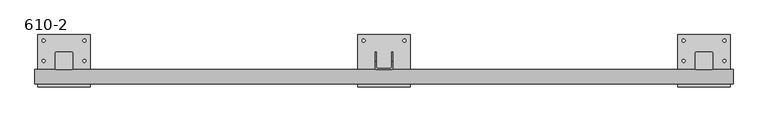
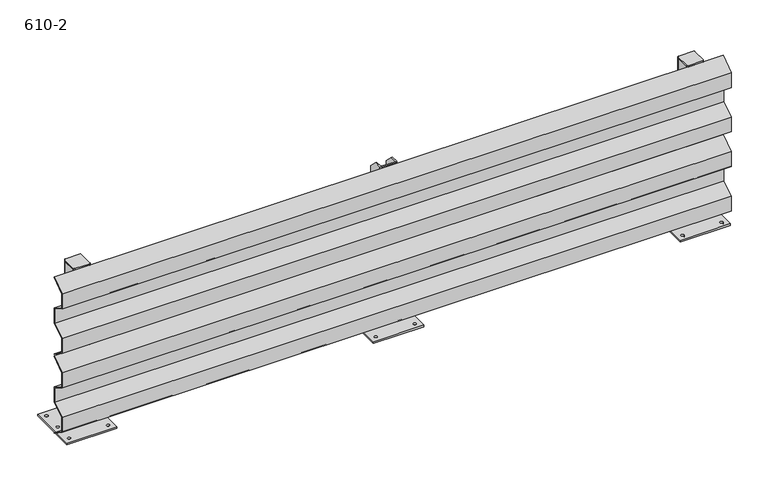
"""IFC4 building model written with IfcOpenShell, lengths in millimetres: proxy geometry, 610-2."""

from ifc_helpers import new_model, si_unit, point, frame, frame_2d, origin, origin_with_axes, place, context, project, spatial, polyline, circle_curve, trimmed, segment, composite_curve, outline, extrude, source, transform, mapped, element, save
from ifc_brep_helpers import plane_surface, cylinder_surface, revolved_surface, advanced_brep


def proxy_610_2_d4bb36de(model_context):
    return source(origin(), model_context, "Body", "SolidModel", [
        extrude(outline(polyline([(-30.0, 302.5500027), (-78.0, 268.5877822), (-78.0, 214.6001053), (-30.0, 186.1623259), (-30.0, 128.8381046), (-78.0, 100.4408827), (-78.0, 46.3636576), (-30.0, 12.4488566), (-30.0, 10.0), (-80.0, 45.3279177), (-80.0, 101.581456), (-32.0, 129.9786778), (-32.0, 185.0225816), (-80.0, 213.4603611), (-80.0, 269.622687), (-30.0, 305.0), (-30.0, 302.5500027)])), frame((-100.0, 0.0, 0.0), z_axis=(1.0, 0.0, 0.0), x_axis=(0.0, 1.0, 0.0)), (0.0, 0.0, 1.0), 2400.0),
        extrude(outline(polyline([(-30.0, 602.5500027), (-78.0, 568.5877822), (-78.0, 514.6001053), (-30.0, 486.1623259), (-30.0, 428.8381046), (-78.0, 400.4408827), (-78.0, 346.3636576), (-30.0, 312.4488566), (-30.0, 310.0), (-80.0, 345.3279177), (-80.0, 401.581456), (-32.0, 429.9786778), (-32.0, 485.0225816), (-80.0, 513.4603611), (-80.0, 569.622687), (-30.0, 605.0), (-30.0, 602.5500027)])), frame((-100.0, 0.0, 0.0), z_axis=(1.0, 0.0, 0.0), x_axis=(0.0, 1.0, 0.0)), (0.0, 0.0, 1.0), 2400.0),
        advanced_brep(
        [(1070.0, -26.0, 610.0), (1074.0, -30.0, 610.0), (1126.0, -30.0, 610.0), (1130.0, -26.0, 610.0), (1130.0, 0.0, 610.0), (1126.0, 0.0, 610.0), (1126.0, -24.0, 610.0), (1124.0, -26.0, 610.0), (1076.0, -26.0, 610.0), (1074.0, -24.0, 610.0), (1074.0, 0.0, 610.0), (1070.0, 0.0, 610.0), (1070.0, -26.0, 6.0), (1070.0, 30.0, 6.0), (1074.0, 30.0, 6.0), (1074.0, -24.0, 6.0), (1076.0, -26.0, 6.0), (1124.0, -26.0, 6.0), (1126.0, -24.0, 6.0), (1126.0, 30.0, 6.0), (1130.0, 30.0, 6.0), (1130.0, -26.0, 6.0), (1126.0, -30.0, 6.0), (1074.0, -30.0, 6.0), (1130.0, 30.0, 580.0), (1126.0, 30.0, 580.0), (1074.0, 30.0, 580.0), (1070.0, 30.0, 580.0)],
        [
            (0, 1, circle_curve(frame((1074.0, -26.0, 610.0), z_axis=(0.0, 0.0, 1.0), x_axis=(-1.0, 0.0, 0.0)), 4.0)),
            (1, 2),
            (2, 3, circle_curve(frame((1126.0, -26.0, 610.0), z_axis=(0.0, 0.0, 1.0), x_axis=(-1.0, 0.0, 0.0)), 4.0)),
            (3, 4),
            (4, 5),
            (5, 6),
            (6, 7, circle_curve(frame((1124.0, -24.0, 610.0), z_axis=(0.0, 0.0, -1.0), x_axis=(-1.0, 0.0, 0.0)), 2.0)),
            (7, 8),
            (8, 9, circle_curve(frame((1076.0, -24.0, 610.0), z_axis=(0.0, 0.0, -1.0), x_axis=(-1.0, 0.0, 0.0)), 2.0)),
            (9, 10),
            (10, 11),
            (11, 0),
            (12, 13),
            (13, 14),
            (14, 15),
            (15, 16, circle_curve(frame((1076.0, -24.0, 6.0), z_axis=(0.0, 0.0, 1.0), x_axis=(-1.0, 0.0, 0.0)), 2.0)),
            (16, 17),
            (17, 18, circle_curve(frame((1124.0, -24.0, 6.0), z_axis=(0.0, 0.0, 1.0), x_axis=(-1.0, 0.0, 0.0)), 2.0)),
            (18, 19),
            (19, 20),
            (20, 21),
            (21, 22, circle_curve(frame((1126.0, -26.0, 6.0), z_axis=(0.0, 0.0, -1.0), x_axis=(-1.0, 0.0, 0.0)), 4.0)),
            (22, 23),
            (23, 12, circle_curve(frame((1074.0, -26.0, 6.0), z_axis=(0.0, 0.0, -1.0), x_axis=(-1.0, 0.0, 0.0)), 4.0)),
            (0, 12),
            (23, 1),
            (22, 2),
            (21, 3),
            (20, 24),
            (24, 4),
            (19, 25),
            (25, 24),
            (18, 6),
            (5, 25),
            (17, 7),
            (16, 8),
            (15, 9),
            (14, 26),
            (26, 10),
            (13, 27),
            (27, 26),
            (11, 27),
        ],
        [
            plane_surface(frame((1070.0, -26.0, 610.0), z_axis=(0.0, 0.0, 1.0), x_axis=(0.0, -1.0, 0.0))),
            plane_surface(frame((1070.0, -26.0, 6.0), z_axis=(0.0, 0.0, -1.0), x_axis=(0.0, 1.0, 0.0))),
            cylinder_surface(frame((1074.0, -26.0, 6.0), z_axis=(0.0, 0.0, 1.0), x_axis=(-1.0, 0.0, 0.0)), 4.0),
            plane_surface(frame((1074.0, -30.0, 610.0), z_axis=(0.0, -1.0, 0.0), x_axis=(0.0, 0.0, -1.0))),
            cylinder_surface(frame((1126.0, -26.0, 6.0), z_axis=(0.0, 0.0, 1.0), x_axis=(-1.0, 0.0, 0.0)), 4.0),
            plane_surface(frame((1130.0, -26.0, 610.0), z_axis=(1.0, 0.0, 0.0), x_axis=(0.0, 0.0, -1.0))),
            plane_surface(frame((1130.0, 30.0, 610.0), z_axis=(0.0, 1.0, 0.0), x_axis=(0.0, 0.0, -1.0))),
            plane_surface(frame((1126.0, 30.0, 610.0), z_axis=(-1.0, 0.0, 0.0), x_axis=(0.0, 0.0, -1.0))),
            revolved_surface(polyline([(1122.0, -24.0, 6.0), (1122.0, -24.0, 610.0)]), (1124.0, -24.0, 6.0), (0.0, 0.0, -1.0)),
            plane_surface(frame((1124.0, -26.0, 610.0), z_axis=(0.0, 1.0, 0.0), x_axis=(0.0, 0.0, -1.0))),
            revolved_surface(polyline([(1074.0, -24.0, 6.0), (1074.0, -24.0, 610.0)]), (1076.0, -24.0, 6.0), (0.0, 0.0, -1.0)),
            plane_surface(frame((1074.0, -24.0, 610.0), z_axis=(1.0, 0.0, 0.0), x_axis=(0.0, 0.0, -1.0))),
            plane_surface(frame((1074.0, 30.0, 610.0), z_axis=(0.0, 1.0, 0.0), x_axis=(0.0, 0.0, -1.0))),
            plane_surface(frame((1070.0, 30.0, 610.0), z_axis=(-1.0, 0.0, 0.0), x_axis=(0.0, 0.0, -1.0))),
            plane_surface(frame((1130.0, 0.0, 610.0), z_axis=(0.0, 0.7071067811865482, 0.7071067811865469), x_axis=(-1.0, 0.0, 0.0))),
            plane_surface(frame((1074.0, 0.0, 610.0), z_axis=(0.0, 0.7071067811865539, 0.7071067811865411), x_axis=(-1.0, 0.0, 0.0))),
        ],
        [
            (0, [[1, 2, 3, 4, 5, 6, 7, 8, 9, 10, 11, 12]]),
            (1, [[13, 14, 15, 16, 17, 18, 19, 20, 21, 22, 23, 24]]),
            (2, [[-1, 25, -24, 26]]),
            (3, [[-2, -26, -23, 27]]),
            (4, [[-3, -27, -22, 28]]),
            (5, [[-21, 29, 30, -4, -28]]),
            (6, [[-20, 31, 32, -29]]),
            (7, [[-19, 33, -6, 34, -31]]),
            (8, [[-7, -33, -18, 35]]),
            (9, [[-8, -35, -17, 36]]),
            (10, [[-9, -36, -16, 37]]),
            (11, [[-15, 38, 39, -10, -37]]),
            (12, [[-14, 40, 41, -38]]),
            (13, [[-13, -25, -12, 42, -40]]),
            (14, [[-5, -30, -32, -34]]),
            (15, [[-11, -39, -41, -42]]),
        ],
    ),
        extrude(outline(polyline([(1190.0, 90.0), (1190.0, -90.0), (1010.0, -90.0), (1010.0, 90.0), (1190.0, 90.0)]), holes=[composite_curve([segment(trimmed(circle_curve(frame_2d((1030.0, 70.0)), 5.0), [point((1025.0, 70.0))], [point((1035.0, 70.0))], True, "CARTESIAN"), True, "CONTINUOUS"), segment(trimmed(circle_curve(frame_2d((1030.0, 70.0)), 5.0), [point((1035.0, 70.0))], [point((1025.0, 70.0))], True, "CARTESIAN"), True, "CONTINUOUS")], self_intersect=False), composite_curve([segment(trimmed(circle_curve(frame_2d((1170.0, 70.0)), 5.0), [point((1165.0, 70.0))], [point((1175.0, 70.0))], True, "CARTESIAN"), True, "CONTINUOUS"), segment(trimmed(circle_curve(frame_2d((1170.0, 70.0)), 5.0), [point((1175.0, 70.0))], [point((1165.0, 70.0))], True, "CARTESIAN"), True, "CONTINUOUS")], self_intersect=False), composite_curve([segment(trimmed(circle_curve(frame_2d((1030.0, -70.0)), 5.0), [point((1025.0, -70.0))], [point((1035.0, -70.0))], True, "CARTESIAN"), True, "CONTINUOUS"), segment(trimmed(circle_curve(frame_2d((1030.0, -70.0)), 5.0), [point((1035.0, -70.0))], [point((1025.0, -70.0))], True, "CARTESIAN"), True, "CONTINUOUS")], self_intersect=False), composite_curve([segment(trimmed(circle_curve(frame_2d((1170.0, -70.0)), 5.0), [point((1165.0, -70.0))], [point((1175.0, -70.0))], True, "CARTESIAN"), True, "CONTINUOUS"), segment(trimmed(circle_curve(frame_2d((1170.0, -70.0)), 5.0), [point((1175.0, -70.0))], [point((1165.0, -70.0))], True, "CARTESIAN"), True, "CONTINUOUS")], self_intersect=False)]), origin_with_axes(), (0.0, 0.0, 1.0), 6.0),
        extrude(outline(composite_curve([segment(trimmed(circle_curve(frame_2d((2226.0, 26.0)), 4.0), [point((2226.0, 30.0))], [point((2230.0, 26.0))], False, "CARTESIAN"), True, "CONTINUOUS"), segment(polyline([(2230.0, 26.0), (2230.0, -26.0)]), True, "CONTINUOUS"), segment(trimmed(circle_curve(frame_2d((2226.0, -26.0)), 4.0), [point((2230.0, -26.0))], [point((2226.0, -30.0))], False, "CARTESIAN"), True, "CONTINUOUS"), segment(polyline([(2226.0, -30.0), (2174.0, -30.0)]), True, "CONTINUOUS"), segment(trimmed(circle_curve(frame_2d((2174.0, -26.0)), 4.0), [point((2174.0, -30.0))], [point((2170.0, -26.0))], False, "CARTESIAN"), True, "CONTINUOUS"), segment(polyline([(2170.0, -26.0), (2170.0, 26.0)]), True, "CONTINUOUS"), segment(trimmed(circle_curve(frame_2d((2174.0, 26.0)), 4.0), [point((2170.0, 26.0))], [point((2174.0, 30.0))], False, "CARTESIAN"), True, "CONTINUOUS"), segment(polyline([(2174.0, 30.0), (2226.0, 30.0)]), True, "CONTINUOUS")], self_intersect=False)), frame((0.0, 0.0, 605.0), z_axis=(0.0, 0.0, 1.0), x_axis=(1.0, 0.0, 0.0)), (0.0, 0.0, 1.0), 5.0),
        extrude(outline(composite_curve([segment(polyline([(2170.0, -26.0), (2170.0, 26.0)]), True, "CONTINUOUS"), segment(trimmed(circle_curve(frame_2d((2174.0, 26.0)), 4.0), [point((2170.0, 26.0))], [point((2174.0, 30.0))], False, "CARTESIAN"), True, "CONTINUOUS"), segment(polyline([(2174.0, 30.0), (2226.0, 30.0)]), True, "CONTINUOUS"), segment(trimmed(circle_curve(frame_2d((2226.0, 26.0)), 4.0), [point((2226.0, 30.0))], [point((2230.0, 26.0))], False, "CARTESIAN"), True, "CONTINUOUS"), segment(polyline([(2230.0, 26.0), (2230.0, -26.0)]), True, "CONTINUOUS"), segment(trimmed(circle_curve(frame_2d((2226.0, -26.0)), 4.0), [point((2230.0, -26.0))], [point((2226.0, -30.0))], False, "CARTESIAN"), True, "CONTINUOUS"), segment(polyline([(2226.0, -30.0), (2174.0, -30.0)]), True, "CONTINUOUS"), segment(trimmed(circle_curve(frame_2d((2174.0, -26.0)), 4.0), [point((2174.0, -30.0))], [point((2170.0, -26.0))], False, "CARTESIAN"), True, "CONTINUOUS")], self_intersect=False), holes=[composite_curve([segment(polyline([(2224.0, 26.0), (2176.0, 26.0)]), True, "CONTINUOUS"), segment(trimmed(circle_curve(frame_2d((2176.0, 24.0)), 2.0), [point((2176.0, 26.0))], [point((2174.0, 24.0))], True, "CARTESIAN"), True, "CONTINUOUS"), segment(polyline([(2174.0, 24.0), (2174.0, -24.0)]), True, "CONTINUOUS"), segment(trimmed(circle_curve(frame_2d((2176.0, -24.0)), 2.0), [point((2174.0, -24.0))], [point((2176.0, -26.0))], True, "CARTESIAN"), True, "CONTINUOUS"), segment(polyline([(2176.0, -26.0), (2224.0, -26.0)]), True, "CONTINUOUS"), segment(trimmed(circle_curve(frame_2d((2224.0, -24.0)), 2.0), [point((2224.0, -26.0))], [point((2226.0, -24.0))], True, "CARTESIAN"), True, "CONTINUOUS"), segment(polyline([(2226.0, -24.0), (2226.0, 24.0)]), True, "CONTINUOUS"), segment(trimmed(circle_curve(frame_2d((2224.0, 24.0)), 2.0), [point((2226.0, 24.0))], [point((2224.0, 26.0))], True, "CARTESIAN"), True, "CONTINUOUS")], self_intersect=False)]), frame((0.0, 0.0, 6.0), z_axis=(0.0, 0.0, 1.0), x_axis=(1.0, 0.0, 0.0)), (0.0, 0.0, 1.0), 599.0),
        extrude(outline(polyline([(2290.0, 90.0), (2290.0, -90.0), (2110.0, -90.0), (2110.0, 90.0), (2290.0, 90.0)]), holes=[composite_curve([segment(trimmed(circle_curve(frame_2d((2130.0, 70.0)), 5.0), [point((2125.0, 70.0))], [point((2135.0, 70.0))], True, "CARTESIAN"), True, "CONTINUOUS"), segment(trimmed(circle_curve(frame_2d((2130.0, 70.0)), 5.0), [point((2135.0, 70.0))], [point((2125.0, 70.0))], True, "CARTESIAN"), True, "CONTINUOUS")], self_intersect=False), composite_curve([segment(trimmed(circle_curve(frame_2d((2130.0, 0.0)), 5.0), [point((2125.0, 0.0))], [point((2135.0, 0.0))], True, "CARTESIAN"), True, "CONTINUOUS"), segment(trimmed(circle_curve(frame_2d((2130.0, 0.0)), 5.0), [point((2135.0, 0.0))], [point((2125.0, 0.0))], True, "CARTESIAN"), True, "CONTINUOUS")], self_intersect=False), composite_curve([segment(trimmed(circle_curve(frame_2d((2130.0, -70.0)), 5.0), [point((2125.0, -70.0))], [point((2135.0, -70.0))], True, "CARTESIAN"), True, "CONTINUOUS"), segment(trimmed(circle_curve(frame_2d((2130.0, -70.0)), 5.0), [point((2135.0, -70.0))], [point((2125.0, -70.0))], True, "CARTESIAN"), True, "CONTINUOUS")], self_intersect=False), composite_curve([segment(trimmed(circle_curve(frame_2d((2270.0, -70.0)), 5.0), [point((2265.0, -70.0))], [point((2275.0, -70.0))], True, "CARTESIAN"), True, "CONTINUOUS"), segment(trimmed(circle_curve(frame_2d((2270.0, -70.0)), 5.0), [point((2275.0, -70.0))], [point((2265.0, -70.0))], True, "CARTESIAN"), True, "CONTINUOUS")], self_intersect=False), composite_curve([segment(trimmed(circle_curve(frame_2d((2270.0, 0.0)), 5.0), [point((2265.0, 0.0))], [point((2275.0, 0.0))], True, "CARTESIAN"), True, "CONTINUOUS"), segment(trimmed(circle_curve(frame_2d((2270.0, 0.0)), 5.0), [point((2275.0, 0.0))], [point((2265.0, 0.0))], True, "CARTESIAN"), True, "CONTINUOUS")], self_intersect=False), composite_curve([segment(trimmed(circle_curve(frame_2d((2270.0, 70.0)), 5.0), [point((2265.0, 70.0))], [point((2275.0, 70.0))], True, "CARTESIAN"), True, "CONTINUOUS"), segment(trimmed(circle_curve(frame_2d((2270.0, 70.0)), 5.0), [point((2275.0, 70.0))], [point((2265.0, 70.0))], True, "CARTESIAN"), True, "CONTINUOUS")], self_intersect=False)]), origin_with_axes(), (0.0, 0.0, 1.0), 6.0),
        extrude(outline(composite_curve([segment(trimmed(circle_curve(frame_2d((26.0, 26.0)), 4.0), [point((26.0, 30.0))], [point((30.0, 26.0))], False, "CARTESIAN"), True, "CONTINUOUS"), segment(polyline([(30.0, 26.0), (30.0, -26.0)]), True, "CONTINUOUS"), segment(trimmed(circle_curve(frame_2d((26.0, -26.0)), 4.0), [point((30.0, -26.0))], [point((26.0, -30.0))], False, "CARTESIAN"), True, "CONTINUOUS"), segment(polyline([(26.0, -30.0), (-26.0, -30.0)]), True, "CONTINUOUS"), segment(trimmed(circle_curve(frame_2d((-26.0, -26.0)), 4.0), [point((-26.0, -30.0))], [point((-30.0, -26.0))], False, "CARTESIAN"), True, "CONTINUOUS"), segment(polyline([(-30.0, -26.0), (-30.0, 26.0)]), True, "CONTINUOUS"), segment(trimmed(circle_curve(frame_2d((-26.0, 26.0)), 4.0), [point((-30.0, 26.0))], [point((-26.0, 30.0))], False, "CARTESIAN"), True, "CONTINUOUS"), segment(polyline([(-26.0, 30.0), (26.0, 30.0)]), True, "CONTINUOUS")], self_intersect=False)), frame((0.0, 0.0, 605.0), z_axis=(0.0, 0.0, 1.0), x_axis=(1.0, 0.0, 0.0)), (0.0, 0.0, 1.0), 5.0),
        extrude(outline(composite_curve([segment(polyline([(-30.0, -26.0), (-30.0, 26.0)]), True, "CONTINUOUS"), segment(trimmed(circle_curve(frame_2d((-26.0, 26.0)), 4.0), [point((-30.0, 26.0))], [point((-26.0, 30.0))], False, "CARTESIAN"), True, "CONTINUOUS"), segment(polyline([(-26.0, 30.0), (26.0, 30.0)]), True, "CONTINUOUS"), segment(trimmed(circle_curve(frame_2d((26.0, 26.0)), 4.0), [point((26.0, 30.0))], [point((30.0, 26.0))], False, "CARTESIAN"), True, "CONTINUOUS"), segment(polyline([(30.0, 26.0), (30.0, -26.0)]), True, "CONTINUOUS"), segment(trimmed(circle_curve(frame_2d((26.0, -26.0)), 4.0), [point((30.0, -26.0))], [point((26.0, -30.0))], False, "CARTESIAN"), True, "CONTINUOUS"), segment(polyline([(26.0, -30.0), (-26.0, -30.0)]), True, "CONTINUOUS"), segment(trimmed(circle_curve(frame_2d((-26.0, -26.0)), 4.0), [point((-26.0, -30.0))], [point((-30.0, -26.0))], False, "CARTESIAN"), True, "CONTINUOUS")], self_intersect=False), holes=[composite_curve([segment(polyline([(24.0, 26.0), (-24.0, 26.0)]), True, "CONTINUOUS"), segment(trimmed(circle_curve(frame_2d((-24.0, 24.0)), 2.0), [point((-24.0, 26.0))], [point((-26.0, 24.0))], True, "CARTESIAN"), True, "CONTINUOUS"), segment(polyline([(-26.0, 24.0), (-26.0, -24.0)]), True, "CONTINUOUS"), segment(trimmed(circle_curve(frame_2d((-24.0, -24.0)), 2.0), [point((-26.0, -24.0))], [point((-24.0, -26.0))], True, "CARTESIAN"), True, "CONTINUOUS"), segment(polyline([(-24.0, -26.0), (24.0, -26.0)]), True, "CONTINUOUS"), segment(trimmed(circle_curve(frame_2d((24.0, -24.0)), 2.0), [point((24.0, -26.0))], [point((26.0, -24.0))], True, "CARTESIAN"), True, "CONTINUOUS"), segment(polyline([(26.0, -24.0), (26.0, 24.0)]), True, "CONTINUOUS"), segment(trimmed(circle_curve(frame_2d((24.0, 24.0)), 2.0), [point((26.0, 24.0))], [point((24.0, 26.0))], True, "CARTESIAN"), True, "CONTINUOUS")], self_intersect=False)]), frame((0.0, 0.0, 6.0), z_axis=(0.0, 0.0, 1.0), x_axis=(1.0, 0.0, 0.0)), (0.0, 0.0, 1.0), 599.0),
        extrude(outline(polyline([(90.0, 90.0), (90.0, -90.0), (-90.0, -90.0), (-90.0, 90.0), (90.0, 90.0)]), holes=[composite_curve([segment(trimmed(circle_curve(frame_2d((-70.0, 70.0)), 5.0), [point((-75.0, 70.0))], [point((-65.0, 70.0))], True, "CARTESIAN"), True, "CONTINUOUS"), segment(trimmed(circle_curve(frame_2d((-70.0, 70.0)), 5.0), [point((-65.0, 70.0))], [point((-75.0, 70.0))], True, "CARTESIAN"), True, "CONTINUOUS")], self_intersect=False), composite_curve([segment(trimmed(circle_curve(frame_2d((-70.0, 0.0)), 5.0), [point((-75.0, 0.0))], [point((-65.0, 0.0))], True, "CARTESIAN"), True, "CONTINUOUS"), segment(trimmed(circle_curve(frame_2d((-70.0, 0.0)), 5.0), [point((-65.0, 0.0))], [point((-75.0, 0.0))], True, "CARTESIAN"), True, "CONTINUOUS")], self_intersect=False), composite_curve([segment(trimmed(circle_curve(frame_2d((-70.0, -70.0)), 5.0), [point((-75.0, -70.0))], [point((-65.0, -70.0))], True, "CARTESIAN"), True, "CONTINUOUS"), segment(trimmed(circle_curve(frame_2d((-70.0, -70.0)), 5.0), [point((-65.0, -70.0))], [point((-75.0, -70.0))], True, "CARTESIAN"), True, "CONTINUOUS")], self_intersect=False), composite_curve([segment(trimmed(circle_curve(frame_2d((70.0, -70.0)), 5.0), [point((65.0, -70.0))], [point((75.0, -70.0))], True, "CARTESIAN"), True, "CONTINUOUS"), segment(trimmed(circle_curve(frame_2d((70.0, -70.0)), 5.0), [point((75.0, -70.0))], [point((65.0, -70.0))], True, "CARTESIAN"), True, "CONTINUOUS")], self_intersect=False), composite_curve([segment(trimmed(circle_curve(frame_2d((70.0, 0.0)), 5.0), [point((65.0, 0.0))], [point((75.0, 0.0))], True, "CARTESIAN"), True, "CONTINUOUS"), segment(trimmed(circle_curve(frame_2d((70.0, 0.0)), 5.0), [point((75.0, 0.0))], [point((65.0, 0.0))], True, "CARTESIAN"), True, "CONTINUOUS")], self_intersect=False), composite_curve([segment(trimmed(circle_curve(frame_2d((70.0, 70.0)), 5.0), [point((65.0, 70.0))], [point((75.0, 70.0))], True, "CARTESIAN"), True, "CONTINUOUS"), segment(trimmed(circle_curve(frame_2d((70.0, 70.0)), 5.0), [point((75.0, 70.0))], [point((65.0, 70.0))], True, "CARTESIAN"), True, "CONTINUOUS")], self_intersect=False)]), origin_with_axes(), (0.0, 0.0, 1.0), 6.0),
    ])


if __name__ == "__main__":
    model = new_model("IFC4")
    model_context = context("Model", 3, world=origin())
    ifc_project = project(units=[si_unit("LENGTHUNIT", "METRE", prefix="MILLI")], contexts=[model_context])
    site = spatial("IfcSite", under=ifc_project)
    building = spatial("IfcBuilding", under=site)
    placement = place(None, origin())
    proxy_610_2_shape = proxy_610_2_d4bb36de(model_context)
    element("IfcBuildingElementProxy", 1, Name="610-2", ObjectType="610-2", at=placement, inside=building, context=model_context, shape_type="MappedRepresentation", body=[
        mapped(proxy_610_2_shape, transform((0.0, 0.0, 0.0), x_axis=(1.0, 0.0, 0.0), y_axis=(0.0, 1.0, 0.0), z_axis=(0.0, 0.0, 1.0))),
    ])
    save(model, "model.ifc")
